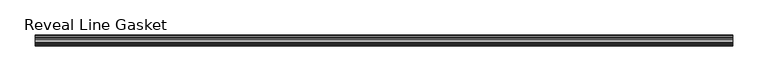
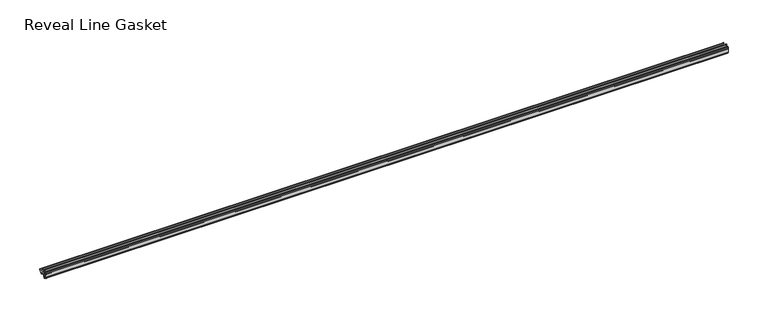
"""IFC4 building model written with IfcOpenShell, lengths in millimetres: furniture geometry, Reveal Line Gasket."""

import ifcopenshell
import ifcopenshell.guid

model = None  # the IFC model being written
_history = None  # IfcOwnerHistory: only IFC2X3 demands one
_inside = {}  # id of a spatial element -> (the spatial element, [elements in it])
_under = {}  # id of a project, library or spatial element -> (it, [spatial elements below it])
_declared = {}  # id of a project -> (the project, [libraries it declares])
_typed = {}  # id of a type object -> (the type object, [elements of that type])
_made_of = {}  # id of a material, layer set ... -> (it, [elements and type objects made of it])


def new_model(schema):
    """Start an empty IFC model of exactly this schema.

    Asked for "IFC4X3", IfcOpenShell would pick the latest addendum, in which some entities
    have other attributes; the version numbers below select the first issue.
    IFC2X3 requires an IfcOwnerHistory on every rooted entity: one is made here for all.
    """
    global model, _history
    if schema == "IFC4X3":
        model = ifcopenshell.file(schema_version=(4, 3, 0, 0))
    else:
        model = ifcopenshell.file(schema=schema)
    _inside.clear()
    _under.clear()
    _declared.clear()
    _typed.clear()
    _made_of.clear()
    _history = None
    if model.schema == "IFC2X3":
        org = make("IfcOrganization", Name="unknown")
        user = make(
            "IfcPersonAndOrganization",
            ThePerson=make("IfcPerson", FamilyName="unknown"),
            TheOrganization=org,
        )
        app = make(
            "IfcApplication",
            ApplicationDeveloper=org,
            Version="unknown",
            ApplicationFullName="unknown",
            ApplicationIdentifier="unknown",
        )
        _history = make(
            "IfcOwnerHistory",
            OwningUser=user,
            OwningApplication=app,
            ChangeAction="ADDED",
            CreationDate=0,
        )
    return model


def make(cls, **values):
    """One entity of the class cls with the attributes given. An attribute that is None is left unset."""
    return model.create_entity(
        cls, **{name: value for name, value in values.items() if value is not None}
    )


def rooted(cls, **values):
    """An entity with a GlobalId (a new one), such as an element, a storey or a relation."""
    return make(cls, GlobalId=ifcopenshell.guid.new(), OwnerHistory=_history, **values)


def si_unit(unit_type, name, prefix=None):
    """IfcSIUnit, for example si_unit("LENGTHUNIT", "METRE", prefix="MILLI")."""
    return make("IfcSIUnit", UnitType=unit_type, Prefix=prefix, Name=name)


def assignment(units):
    """IfcUnitAssignment: the units of a project."""
    return None if units is None else make("IfcUnitAssignment", Units=units)


def point(xyz):
    """IfcCartesianPoint."""
    return None if xyz is None else make("IfcCartesianPoint", Coordinates=xyz)


def direction(xyz):
    """IfcDirection."""
    return None if xyz is None else make("IfcDirection", DirectionRatios=xyz)


def frame(location, z_axis=None, x_axis=None):
    """IfcAxis2Placement3D, a coordinate frame: its origin and axes. An axis left out is left unset."""
    return make(
        "IfcAxis2Placement3D",
        Location=point(location),
        Axis=direction(z_axis),
        RefDirection=direction(x_axis),
    )


def frame_2d(location, x_axis=None):
    """IfcAxis2Placement2D, a coordinate frame in the plane: its origin and x axis."""
    return make(
        "IfcAxis2Placement2D", Location=point(location), RefDirection=direction(x_axis)
    )


def origin():
    """The frame at (0, 0, 0) with its axes left unset."""
    return frame((0.0, 0.0, 0.0))


def place(relative_to, where):
    """IfcLocalPlacement: puts the frame where relative to a parent placement (None: the world)."""
    return make(
        "IfcLocalPlacement", PlacementRelTo=relative_to, RelativePlacement=where
    )


def context(
    kind, dimensions, precision=None, world=None, true_north=None, identifier=None
):
    """IfcGeometricRepresentationContext, for example the 3D "Model" context."""
    return make(
        "IfcGeometricRepresentationContext",
        ContextIdentifier=identifier,
        ContextType=kind,
        CoordinateSpaceDimension=dimensions,
        Precision=precision,
        WorldCoordinateSystem=world,
        TrueNorth=true_north,
    )


def project(units=None, contexts=None):
    """IfcProject with its units and contexts."""
    return rooted(
        "IfcProject",
        Name="project",
        RepresentationContexts=contexts,
        UnitsInContext=assignment(units),
    )


def spatial(cls, under=None, at=None, **own):
    """A site, building, storey or space (cls), placed at a placement, below another one or the project."""
    s = rooted(cls, ObjectPlacement=at, **own)
    if under is not None:
        _under.setdefault(under.id(), (under, []))[1].append(s)
    return s


def polyline(points):
    """IfcPolyline through the points."""
    return make("IfcPolyline", Points=[point(p) for p in points])


def circle_curve(where, radius):
    """IfcCircle in the frame where."""
    return make("IfcCircle", Position=where, Radius=radius)


def trimmed(basis, trim1, trim2, sense, master):
    """IfcTrimmedCurve: the piece of a basis curve between two trims."""
    return make(
        "IfcTrimmedCurve",
        BasisCurve=basis,
        Trim1=trim1,
        Trim2=trim2,
        SenseAgreement=sense,
        MasterRepresentation=master,
    )


def segment(curve, same_sense, transition):
    """IfcCompositeCurveSegment."""
    return make(
        "IfcCompositeCurveSegment",
        Transition=transition,
        SameSense=same_sense,
        ParentCurve=curve,
    )


def composite_curve(segments, self_intersect=None):
    """IfcCompositeCurve: segments joined end to end."""
    return make("IfcCompositeCurve", Segments=segments, SelfIntersect=self_intersect)


def outline(outer, holes=None, kind="AREA"):
    """IfcArbitraryClosedProfileDef: a profile drawn as a closed curve; with holes, ...WithVoids."""
    if holes is None:
        return make("IfcArbitraryClosedProfileDef", ProfileType=kind, OuterCurve=outer)
    return make(
        "IfcArbitraryProfileDefWithVoids",
        ProfileType=kind,
        OuterCurve=outer,
        InnerCurves=holes,
    )


def extrude(swept, where, along, depth):
    """IfcExtrudedAreaSolid: the profile swept, set in the frame where, extruded along a direction by depth."""
    return make(
        "IfcExtrudedAreaSolid",
        SweptArea=swept,
        Position=where,
        ExtrudedDirection=direction(along),
        Depth=depth,
    )


def shape(context_of_items, identifier, shape_type, items):
    """IfcShapeRepresentation: the items that make up one representation, for example the "Body"."""
    return make(
        "IfcShapeRepresentation",
        ContextOfItems=context_of_items,
        RepresentationIdentifier=identifier,
        RepresentationType=shape_type,
        Items=items,
    )


def source(mapping_origin, context_of_items, identifier, shape_type, items):
    """IfcRepresentationMap: a shape defined once, which mapped items show again and again."""
    return make(
        "IfcRepresentationMap",
        MappingOrigin=mapping_origin,
        MappedRepresentation=shape(context_of_items, identifier, shape_type, items),
    )


def transform(
    local_origin,
    x_axis=None,
    y_axis=None,
    z_axis=None,
    scale=None,
    scale2=None,
    scale3=None,
    uniform=True,
):
    """IfcCartesianTransformationOperator3D, or its non-uniform kind. x_axis, y_axis, z_axis: its Axis1, 2, 3."""
    if uniform:
        return make(
            "IfcCartesianTransformationOperator3D",
            Axis1=direction(x_axis),
            Axis2=direction(y_axis),
            LocalOrigin=point(local_origin),
            Scale=scale,
            Axis3=direction(z_axis),
        )
    return make(
        "IfcCartesianTransformationOperator3DnonUniform",
        Axis1=direction(x_axis),
        Axis2=direction(y_axis),
        LocalOrigin=point(local_origin),
        Scale=scale,
        Axis3=direction(z_axis),
        Scale2=scale2,
        Scale3=scale3,
    )


def mapped(mapping_source, mapping_target):
    """IfcMappedItem: shows the shape of a source again, moved by a transform."""
    return make(
        "IfcMappedItem", MappingSource=mapping_source, MappingTarget=mapping_target
    )


def made_of(thing, what):
    """Note that an element or type object is made of a material, layer set ...; save() writes the relation."""
    if what is not None:
        _made_of.setdefault(what.id(), (what, []))[1].append(thing)
    return thing


def element(
    cls,
    number,
    at=None,
    inside=None,
    cuts=None,
    type_object=None,
    material=None,
    context=None,
    identifier="Body",
    shape_type=None,
    held_by="IfcProductDefinitionShape",
    body=None,
    shapes=None,
    **own,
):
    """One element of the class cls, such as IfcWall. Its Tag is "e" and its number.

    at: its placement. inside: the storey or other place that contains it. cuts: it is an
    opening in that element (IfcRelVoidsElement). A single representation is given by context,
    identifier, shape_type and body (its items); several are given by shapes. held_by: the class
    of the entity that holds the representations. save() writes the other relations.
    """
    e = rooted(cls, Tag="e%d" % number, ObjectPlacement=at, **own)
    if body is not None:
        shapes = [shape(context, identifier, shape_type, body)]
    if shapes is not None:
        e.Representation = make(held_by, Representations=shapes)
    if inside is not None:
        _inside.setdefault(inside.id(), (inside, []))[1].append(e)
    if cuts is not None:
        rooted(
            "IfcRelVoidsElement", RelatingBuildingElement=cuts, RelatedOpeningElement=e
        )
    if type_object is not None:
        _typed.setdefault(type_object.id(), (type_object, []))[1].append(e)
    return made_of(e, material)


def aggregate(whole, parts):
    """IfcRelAggregates: a whole, such as a stair, and the parts it consists of."""
    return rooted("IfcRelAggregates", RelatingObject=whole, RelatedObjects=parts)


def save(model, path):
    """Write the relations noted so far, then the file.

    IfcRelAggregates (storeys below a building ...), IfcRelContainedInSpatialStructure (elements
    in a storey), IfcRelDefinesByType, IfcRelAssociatesMaterial and IfcRelDeclares: one each for
    every whole, place, type object, material and project.
    """
    for whole, parts in _under.values():
        aggregate(whole, parts)
    for where, things in _inside.values():
        rooted(
            "IfcRelContainedInSpatialStructure",
            RelatedElements=things,
            RelatingStructure=where,
        )
    for kind, things in _typed.values():
        rooted("IfcRelDefinesByType", RelatedObjects=things, RelatingType=kind)
    for what, things in _made_of.values():
        rooted("IfcRelAssociatesMaterial", RelatedObjects=things, RelatingMaterial=what)
    for by, libraries in _declared.values():
        rooted("IfcRelDeclares", RelatingContext=by, RelatedDefinitions=libraries)
    model.write(path)


def reveal_line_gasket_129473d7(model_context):
    return source(origin(), model_context, "Body", "SweptSolid", [
        extrude(outline(composite_curve([segment(polyline([(-7.6326998, 1603.2), (-7.4091917, 1604.1554927), (-6.8813059, 1605.0884684)]), True, "CONTINUOUS"), segment(trimmed(circle_curve(frame_2d((-6.5243141, 1604.8864793)), 0.4101739), [point((-6.8813059, 1605.0884684))], [point((-6.1246704, 1604.7941347))], False, "CARTESIAN"), True, "CONTINUOUS"), segment(polyline([(-6.1246704, 1604.7941347), (-6.3626997, 1603.0979086), (-6.3626997, 1601.0654527)]), True, "CONTINUOUS"), segment(trimmed(circle_curve(frame_2d((-5.6959605, 1601.4819258)), 0.786124), [point((-6.3626997, 1601.0654527))], [point((-5.0926996, 1600.977875))], True, "CARTESIAN"), True, "CONTINUOUS"), segment(polyline([(-5.0926996, 1600.977875), (-0.7492996, 1600.977875), (-3.7293824, 1606.1395295)]), True, "CONTINUOUS"), segment(trimmed(circle_curve(frame_2d((-3.3132479, 1606.2049761)), 0.4212495), [point((-3.7293824, 1606.1395295))], [point((-3.0485022, 1606.5326358))], False, "CARTESIAN"), True, "CONTINUOUS"), segment(polyline([(-3.0485022, 1606.5326358), (0.5742594, 1600.977875), (4.8262978, 1600.977875), (3.1660374, 1603.8535297)]), True, "CONTINUOUS"), segment(trimmed(circle_curve(frame_2d((3.5978728, 1603.9118855)), 0.4357605), [point((3.1660374, 1603.8535297))], [point((3.864328, 1604.2566881))], False, "CARTESIAN"), True, "CONTINUOUS"), segment(polyline([(3.864328, 1604.2566881), (6.1944059, 1600.977875), (7.6326998, 1600.977875), (7.6326998, 1599.422125), (6.1944059, 1599.422125), (3.864328, 1596.1433119)]), True, "CONTINUOUS"), segment(trimmed(circle_curve(frame_2d((3.5978728, 1596.4881145)), 0.4357605), [point((3.864328, 1596.1433119))], [point((3.1660374, 1596.5464703))], False, "CARTESIAN"), True, "CONTINUOUS"), segment(polyline([(3.1660374, 1596.5464703), (4.8262978, 1599.422125), (0.5742594, 1599.422125), (-3.0485022, 1593.8673642)]), True, "CONTINUOUS"), segment(trimmed(circle_curve(frame_2d((-3.3132479, 1594.1950239)), 0.4212495), [point((-3.0485022, 1593.8673642))], [point((-3.7293824, 1594.2604705))], False, "CARTESIAN"), True, "CONTINUOUS"), segment(polyline([(-3.7293824, 1594.2604705), (-0.7492996, 1599.422125), (-5.0926996, 1599.422125)]), True, "CONTINUOUS"), segment(trimmed(circle_curve(frame_2d((-5.6959605, 1598.9180742)), 0.786124), [point((-5.0926996, 1599.422125))], [point((-6.3626997, 1599.3345473))], True, "CARTESIAN"), True, "CONTINUOUS"), segment(polyline([(-6.3626997, 1599.3345473), (-6.3626997, 1597.3020914), (-6.1246704, 1595.6058653)]), True, "CONTINUOUS"), segment(trimmed(circle_curve(frame_2d((-6.5243141, 1595.5135207)), 0.4101739), [point((-6.1246704, 1595.6058653))], [point((-6.8813059, 1595.3115316))], False, "CARTESIAN"), True, "CONTINUOUS"), segment(polyline([(-6.8813059, 1595.3115316), (-7.4091917, 1596.2445073), (-7.6326998, 1597.2), (-7.6326998, 1603.2)]), True, "CONTINUOUS")], self_intersect=False)), frame((-493.4204, 0.0, 0.0), z_axis=(1.0, 0.0, 0.0), x_axis=(0.0, 1.0, 0.0)), (0.0, 0.0, 1.0), 986.8408),
    ])


if __name__ == "__main__":
    model = new_model("IFC4")
    model_context = context("Model", 3, world=origin())
    ifc_project = project(units=[si_unit("LENGTHUNIT", "METRE", prefix="MILLI")], contexts=[model_context])
    site = spatial("IfcSite", under=ifc_project)
    building = spatial("IfcBuilding", under=site)
    placement = place(None, origin())
    reveal_line_gasket_shape = reveal_line_gasket_129473d7(model_context)
    element("IfcFurniture", 1, ObjectType="Reveal Line Gasket", at=placement, inside=building, context=model_context, shape_type="MappedRepresentation", body=[
        mapped(reveal_line_gasket_shape, transform((0.0, 0.0, 0.0), x_axis=(1.0, 0.0, 0.0), y_axis=(0.0, 1.0, 0.0), z_axis=(0.0, 0.0, 1.0))),
    ])
    save(model, "model.ifc")
